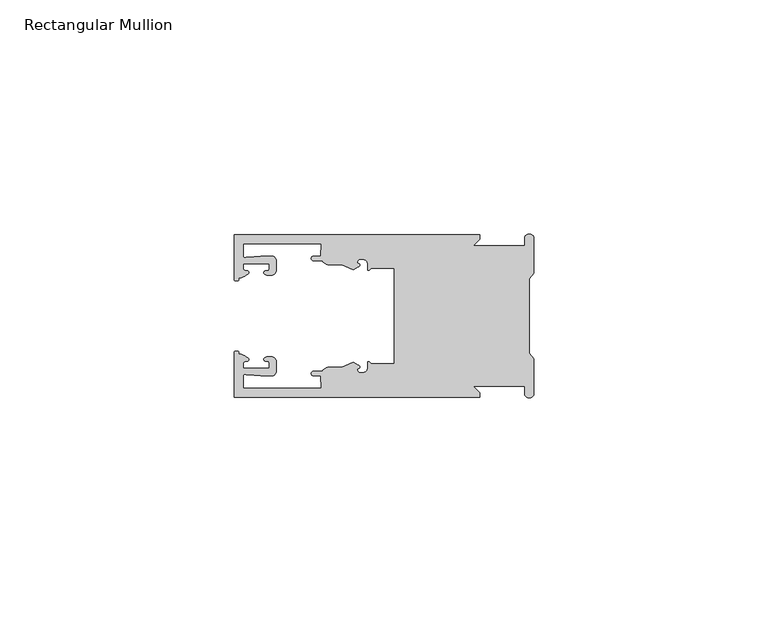
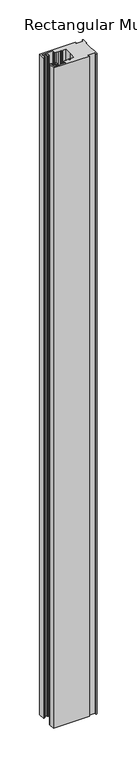
"""IFC4 building model written with IfcOpenShell, lengths in millimetres: member geometry, Rectangular Mullion."""

from ifc_helpers import new_model, si_unit, frame, origin, place, context, project, spatial, polyline, circle_curve, source, transform, mapped, element, save
from ifc_brep_helpers import plane_surface, cylinder_surface, revolved_surface, extruded_surface, spline_curve, advanced_brep


def rectangular_mullion_679da7de(model_context):
    return source(origin(), model_context, "Body", "AdvancedBrep", [
        advanced_brep(
        [(-11.5387897, 17.4000478, 0.0), (-64.0387868, 17.4000478, 0.0), (-64.0387868, 7.8350057, 0.0), (-63.2884687, 7.5412947, 0.0), (-62.4614154, 8.1921895, 0.0), (-62.0410649, 9.9426451, 0.0), (-62.0424168, 11.1926444, 0.0), (-56.54242, 11.1985924, 0.0), (-56.5410682, 9.9485931, 0.0), (-57.1085345, 8.7314723, 0.0), (-56.0397166, 8.6991345, 0.0), (-55.0407987, 9.7002154, 0.0), (-55.0430697, 11.8002142, 0.0), (-56.0446364, 12.7991315, 0.0), (-58.3650753, 12.7954945, 0.0), (-61.1340054, 12.5502269, 0.0), (-62.044093, 12.7426435, 0.0), (-62.0469668, 15.4000478, 0.0), (-45.4240312, 15.4000478, 0.0), (-45.5732135, 12.8000478, 0.0), (-47.0387868, 12.8000478, 0.0), (-47.0387868, 11.8000478, 0.0), (-45.2543363, 11.8000478, 0.0), (-43.6387868, 10.9000478, 0.0), (-41.0454034, 10.9000478, 0.0), (-38.5697136, 9.8718293, 0.0), (-37.5387868, 10.4670351, 0.0), (-37.6803436, 11.4201497, 0.0), (-37.0270763, 12.1583697, 0.0), (-36.2010815, 12.0127245, 0.0), (-35.54, 11.2248783, 0.0), (-35.54, 10.0, 0.0), (-34.7705791, 10.25, 0.0), (-29.79, 10.25, 0.0), (-29.79, 0.0, 0.0), (-29.79, -10.25, 0.0), (-34.7705791, -10.25, 0.0), (-35.54, -10.0, 0.0), (-35.54, -11.2248783, 0.0), (-36.2010815, -12.0127245, 0.0), (-37.0270763, -12.1583697, 0.0), (-37.6803436, -11.4201497, 0.0), (-37.5387868, -10.4670351, 0.0), (-38.5697136, -9.8718293, 0.0), (-41.0454034, -10.9000478, 0.0), (-43.6387868, -10.9000478, 0.0), (-45.2543363, -11.8000478, 0.0), (-47.0387868, -11.8000478, 0.0), (-47.0387868, -12.8000478, 0.0), (-45.5732135, -12.8000478, 0.0), (-45.4240312, -15.4000478, 0.0), (-62.0469668, -15.4000478, 0.0), (-62.044093, -12.7426435, 0.0), (-61.1340054, -12.5502269, 0.0), (-58.3650753, -12.7954945, 0.0), (-56.0446364, -12.7991314, 0.0), (-55.0430697, -11.8002142, 0.0), (-55.0407987, -9.7002154, 0.0), (-56.0397166, -8.6991345, 0.0), (-57.1085345, -8.7314723, 0.0), (-56.5410682, -9.9485931, 0.0), (-56.54242, -11.1985924, 0.0), (-62.0424168, -11.1926444, 0.0), (-62.0410649, -9.9426451, 0.0), (-62.4614154, -8.1921895, 0.0), (-63.2884687, -7.5412947, 0.0), (-64.0387868, -7.8350057, 0.0), (-64.0387868, -17.4000478, 0.0), (-11.5387897, -17.4000478, 0.0), (-11.5387897, -16.4000449, 0.0), (-12.9388346, -15.0, 0.0), (-2.0, -15.0, 0.0), (-2.0, -16.5, 0.0), (0.0, -16.5, 0.0), (0.0, -9.1160254, 0.0), (-1.0, -7.9613249, 0.0), (-1.0, 0.0, 0.0), (-1.0, 7.9613249, 0.0), (0.0, 9.1160254, 0.0), (0.0, 16.5, 0.0), (-2.0, 16.5, 0.0), (-2.0, 15.0, 0.0), (-12.9388346, 15.0, 0.0), (-11.5387897, 16.4000449, 0.0), (-11.5387897, 17.4000478, -1016.0), (-11.5387897, 16.4000449, -1016.0), (-12.9388346, 15.0, -1016.0), (-2.0, 15.0, -1016.0), (-2.0, 16.5, -1016.0), (0.0, 16.5, -1016.0), (0.0, 9.1160254, -1016.0), (-1.0, 7.9613249, -1016.0), (-1.0, 0.0, -1016.0), (-1.0, -7.9613249, -1016.0), (0.0, -9.1160254, -1016.0), (0.0, -16.5, -1016.0), (-2.0, -16.5, -1016.0), (-2.0, -15.0, -1016.0), (-12.9388346, -15.0, -1016.0), (-11.5387897, -16.4000449, -1016.0), (-11.5387897, -17.4000478, -1016.0), (-64.0387868, -17.4000478, -1016.0), (-64.0387868, -7.8350057, -1016.0), (-63.2884687, -7.5412947, -1016.0), (-62.4614154, -8.1921895, -1016.0), (-62.0410649, -9.9426451, -1016.0), (-62.0424168, -11.1926444, -1016.0), (-56.54242, -11.1985924, -1016.0), (-56.5410682, -9.9485931, -1016.0), (-57.1085345, -8.7314723, -1016.0), (-56.0397166, -8.6991345, -1016.0), (-55.0407987, -9.7002154, -1016.0), (-55.0430697, -11.8002142, -1016.0), (-56.0446364, -12.7991315, -1016.0), (-58.3650753, -12.7954945, -1016.0), (-61.1340054, -12.5502269, -1016.0), (-62.044093, -12.7426435, -1016.0), (-62.0469668, -15.4000478, -1016.0), (-45.4240312, -15.4000478, -1016.0), (-45.5732135, -12.8000478, -1016.0), (-47.0387868, -12.8000478, -1016.0), (-47.0387868, -11.8000478, -1016.0), (-45.2543363, -11.8000478, -1016.0), (-43.6387868, -10.9000478, -1016.0), (-41.0454034, -10.9000478, -1016.0), (-38.5697136, -9.8718293, -1016.0), (-37.5387868, -10.4670351, -1016.0), (-37.6803436, -11.4201497, -1016.0), (-37.0270763, -12.1583697, -1016.0), (-36.2010815, -12.0127245, -1016.0), (-35.54, -11.2248783, -1016.0), (-35.54, -10.0, -1016.0), (-34.7705791, -10.25, -1016.0), (-29.79, -10.25, -1016.0), (-29.79, 0.0, -1016.0), (-29.79, 10.25, -1016.0), (-34.7705791, 10.25, -1016.0), (-35.54, 10.0, -1016.0), (-35.54, 11.2248783, -1016.0), (-36.2010815, 12.0127245, -1016.0), (-37.0270763, 12.1583697, -1016.0), (-37.6803436, 11.4201497, -1016.0), (-37.5387868, 10.4670351, -1016.0), (-38.5697136, 9.8718293, -1016.0), (-41.0454034, 10.9000478, -1016.0), (-43.6387868, 10.9000478, -1016.0), (-45.2543363, 11.8000478, -1016.0), (-47.0387868, 11.8000478, -1016.0), (-47.0387868, 12.8000478, -1016.0), (-45.5732135, 12.8000478, -1016.0), (-45.4240312, 15.4000478, -1016.0), (-62.0469668, 15.4000478, -1016.0), (-62.044093, 12.7426435, -1016.0), (-61.1340054, 12.5502269, -1016.0), (-58.3650753, 12.7954945, -1016.0), (-56.0446364, 12.7991314, -1016.0), (-55.0430697, 11.8002142, -1016.0), (-55.0407987, 9.7002154, -1016.0), (-56.0397166, 8.6991345, -1016.0), (-57.1085345, 8.7314723, -1016.0), (-56.5410682, 9.9485931, -1016.0), (-56.54242, 11.1985924, -1016.0), (-62.0424168, 11.1926444, -1016.0), (-62.0410649, 9.9426451, -1016.0), (-62.4614154, 8.1921895, -1016.0), (-63.2884687, 7.5412947, -1016.0), (-64.0387868, 7.8350057, -1016.0), (-64.0387868, 17.4000478, -1016.0)],
        [
            (0, 1),
            (1, 2),
            (2, 3, spline_curve(3, [(-64.0387868, 7.8350057, 0.0), (-64.038491377, 7.561831774, 0.0), (-63.788385325, 7.463928087, 0.0), (-63.2884687, 7.5412947, 0.0)], [4, 4], [0.0, 0.0019169337574178654])),
            (3, 4, spline_curve(3, [(-63.2884687, 7.5412947, 0.0), (-63.057760917, 7.582232011, 0.0), (-63.018445067, 7.725390894, 0.0), (-63.019925494, 8.056436881, 0.0), (-63.103444208, 8.236386866, 0.0), (-62.4614154, 8.1921895, 0.0)], [4, 2, 4], [0.0, 0.0010199524164107188, 0.0024874514725970356])),
            (4, 5, spline_curve(3, [(-62.4614154, 8.1921895, 0.0), (-60.988497673, 8.880962536, 0.0), (-60.794045122, 9.192776957, 0.0), (-60.949808078, 9.57023562, 0.0), (-61.145214014, 9.682771697, 0.0), (-61.665835706, 9.714019003, 0.0), (-61.965242574, 9.660891484, 0.0), (-62.0410649, 9.9426451, 0.0)], [4, 2, 2, 4], [0.0, 0.003269869179570428, 0.005490050486237203, 0.0073545767114364426])),
            (5, 6),
            (6, 7),
            (7, 8),
            (8, 9, spline_curve(3, [(-56.5410682, 9.9485931, 0.0), (-56.634838635, 9.597117104, 0.0), (-56.904956774, 9.698238818, 0.0), (-57.324171444, 9.731086209, 0.0), (-57.45969165, 9.646199885, 0.0), (-57.729003352, 9.346016011, 0.0), (-57.859492582, 9.113082158, 0.0), (-57.1085345, 8.7314723, 0.0)], [4, 2, 2, 4], [0.0, 0.001593963049934732, 0.0033360256320283306, 0.005339140673503943])),
            (9, 10),
            (10, 11, circle_curve(frame((-56.0407981, 9.699134, 0.0), z_axis=(0.0, 0.0, 1.0), x_axis=(0.0010814451158627505, -0.9999994152380598, 0.0)), 1.0)),
            (11, 12),
            (12, 13, circle_curve(frame((-56.0430691, 11.7991327, 0.0), z_axis=(0.0, 0.0, 1.0), x_axis=(0.0010814451158627505, -0.9999994152380598, 0.0)), 1.0)),
            (13, 14),
            (14, 15),
            (15, 16, spline_curve(3, [(-61.1340054, 12.5502269, 0.0), (-61.605485428, 12.508463911, 0.0), (-61.992111419, 12.303164326, 0.0), (-62.044093, 12.7426435, 0.0)], [4, 4], [0.0, 0.0014803385355886016])),
            (16, 17),
            (17, 18),
            (18, 19),
            (19, 20),
            (20, 21, circle_curve(frame((-47.0387868, 12.3000478, 0.0), z_axis=(0.0, 0.0, 1.0), x_axis=(0.0, -1.0, 0.0)), 0.5)),
            (21, 22),
            (22, 23, circle_curve(frame((-43.6387868, 12.8000478, 0.0), z_axis=(0.0, 0.0, 1.0), x_axis=(0.0, -1.0, 0.0)), 1.9)),
            (23, 24),
            (24, 25),
            (25, 26),
            (26, 27, spline_curve(3, [(-37.5387868, 10.4670351, 0.0), (-36.973919853, 10.833863985, 0.0), (-37.198159645, 11.135696286, 0.0), (-37.587892011, 11.260246073, 0.0), (-37.754584192, 11.180452419, 0.0), (-37.6803436, 11.4201497, 0.0)], [4, 2, 4], [0.0, 0.0019283703160353726, 0.003394584635652914])),
            (27, 28, circle_curve(frame((-37.0434863, 11.5147359, 0.0), z_axis=(0.0, 0.0, -1.0), x_axis=(0.0, -1.0, 0.0)), 0.643843)),
            (28, 29),
            (29, 30, circle_curve(frame((-36.34, 11.2248783, 0.0), z_axis=(0.0, 0.0, -1.0), x_axis=(0.0, -1.0, 0.0)), 0.8)),
            (30, 31),
            (31, 32, spline_curve(3, [(-35.54, 10.0, 0.0), (-35.440000238, 9.598293201, 0.0), (-35.183526594, 9.681626535, 0.0), (-34.7705791, 10.25, 0.0)], [4, 4], [0.0, 0.0027473296990141553])),
            (32, 33),
            (33, 34),
            (34, 35),
            (35, 36),
            (36, 37, spline_curve(3, [(-34.7705791, -10.25, 0.0), (-35.183526594, -9.681626535, 0.0), (-35.440000238, -9.598293201, 0.0), (-35.54, -10.0, 0.0)], [4, 4], [0.0, 0.0027473296990141553])),
            (37, 38),
            (38, 39, circle_curve(frame((-36.34, -11.2248783, 0.0), z_axis=(0.0, 0.0, -1.0), x_axis=(0.0, 1.0, 0.0)), 0.8)),
            (39, 40),
            (40, 41, circle_curve(frame((-37.0434863, -11.5147359, 0.0), z_axis=(0.0, 0.0, -1.0), x_axis=(0.0, 1.0, 0.0)), 0.643843)),
            (41, 42, spline_curve(3, [(-37.6803436, -11.4201497, 0.0), (-37.754584192, -11.180452419, 0.0), (-37.587892011, -11.260246073, 0.0), (-37.198159645, -11.135696286, 0.0), (-36.973919853, -10.833863985, 0.0), (-37.5387868, -10.4670351, 0.0)], [4, 2, 4], [0.0, 0.0014662143196175414, 0.003394584635652914])),
            (42, 43),
            (43, 44),
            (44, 45),
            (45, 46, circle_curve(frame((-43.6387868, -12.8000478, 0.0), z_axis=(0.0, 0.0, 1.0), x_axis=(0.0, 1.0, 0.0)), 1.9)),
            (46, 47),
            (47, 48, circle_curve(frame((-47.0387868, -12.3000478, 0.0), z_axis=(0.0, 0.0, 1.0), x_axis=(0.0, 1.0, 0.0)), 0.5)),
            (48, 49),
            (49, 50),
            (50, 51),
            (51, 52),
            (52, 53, spline_curve(3, [(-62.044093, -12.7426435, 0.0), (-61.992111419, -12.303164326, 0.0), (-61.605485428, -12.508463911, 0.0), (-61.1340054, -12.5502269, 0.0)], [4, 4], [0.0, 0.0014803385355886016])),
            (53, 54),
            (54, 55),
            (55, 56, circle_curve(frame((-56.0430691, -11.7991327, 0.0), z_axis=(0.0, 0.0, 1.0), x_axis=(0.001081445115855867, 0.9999994152380598, 0.0)), 1.0)),
            (56, 57),
            (57, 58, circle_curve(frame((-56.0407981, -9.699134, 0.0), z_axis=(0.0, 0.0, 1.0), x_axis=(0.001081445115855867, 0.9999994152380598, 0.0)), 1.0)),
            (58, 59),
            (59, 60, spline_curve(3, [(-57.1085345, -8.7314723, 0.0), (-57.859492582, -9.113082158, 0.0), (-57.729003352, -9.346016011, 0.0), (-57.45969165, -9.646199885, 0.0), (-57.324171444, -9.731086209, 0.0), (-56.904956774, -9.698238818, 0.0), (-56.634838635, -9.597117104, 0.0), (-56.5410682, -9.9485931, 0.0)], [4, 2, 2, 4], [0.0, 0.002003115041475612, 0.0037451776235692107, 0.005339140673503943])),
            (60, 61),
            (61, 62),
            (62, 63),
            (63, 64, spline_curve(3, [(-62.0410649, -9.9426451, 0.0), (-61.965242574, -9.660891484, 0.0), (-61.665835706, -9.714019003, 0.0), (-61.145214014, -9.682771697, 0.0), (-60.949808078, -9.57023562, 0.0), (-60.794045122, -9.192776957, 0.0), (-60.988497673, -8.880962536, 0.0), (-62.4614154, -8.1921895, 0.0)], [4, 2, 2, 4], [0.0, 0.0018645262251992395, 0.004084707531866015, 0.0073545767114364426])),
            (64, 65, spline_curve(3, [(-62.4614154, -8.1921895, 0.0), (-63.103444208, -8.236386866, 0.0), (-63.019925494, -8.056436881, 0.0), (-63.018445067, -7.725390894, 0.0), (-63.057760917, -7.582232011, 0.0), (-63.2884687, -7.5412947, 0.0)], [4, 2, 4], [0.0, 0.0014674990561863168, 0.0024874514725970356])),
            (65, 66, spline_curve(3, [(-63.2884687, -7.5412947, 0.0), (-63.788385325, -7.463928087, 0.0), (-64.038491377, -7.561831774, 0.0), (-64.0387868, -7.8350057, 0.0)], [4, 4], [0.0, 0.0019169337574178654])),
            (66, 67),
            (67, 68),
            (68, 69),
            (69, 70),
            (70, 71),
            (71, 72),
            (72, 73, circle_curve(frame((-1.0, -16.5, 0.0), z_axis=(0.0, 0.0, 1.0), x_axis=(0.0, 1.0, 0.0)), 1.0)),
            (73, 74),
            (74, 75),
            (75, 76),
            (76, 77),
            (77, 78),
            (78, 79),
            (79, 80, circle_curve(frame((-1.0, 16.5, 0.0), z_axis=(0.0, 0.0, 1.0), x_axis=(0.0, -1.0, 0.0)), 1.0)),
            (80, 81),
            (81, 82),
            (82, 83),
            (83, 0),
            (84, 85),
            (85, 86),
            (86, 87),
            (87, 88),
            (88, 89, circle_curve(frame((-1.0, 16.5, -1016.0), z_axis=(0.0, 0.0, -1.0), x_axis=(0.0, -1.0, 0.0)), 1.0)),
            (89, 90),
            (90, 91),
            (91, 92),
            (92, 93),
            (93, 94),
            (94, 95),
            (95, 96, circle_curve(frame((-1.0, -16.5, -1016.0), z_axis=(0.0, 0.0, -1.0), x_axis=(0.0, 1.0, 0.0)), 1.0)),
            (96, 97),
            (97, 98),
            (98, 99),
            (99, 100),
            (100, 101),
            (101, 102),
            (102, 103, spline_curve(3, [(-64.0387868, -7.8350057, -1016.0), (-64.038491377, -7.561831774, -1016.0), (-63.788385325, -7.463928087, -1016.0), (-63.2884687, -7.5412947, -1016.0)], [4, 4], [0.0, 0.0019169337574178654])),
            (103, 104, spline_curve(3, [(-63.2884687, -7.5412947, -1016.0), (-63.057760917, -7.582232011, -1016.0), (-63.018445067, -7.725390894, -1016.0), (-63.019925494, -8.056436881, -1016.0), (-63.103444208, -8.236386866, -1016.0), (-62.4614154, -8.1921895, -1016.0)], [4, 2, 4], [0.0, 0.0010199524164107188, 0.0024874514725970356])),
            (104, 105, spline_curve(3, [(-62.4614154, -8.1921895, -1016.0), (-60.988497673, -8.880962536, -1016.0), (-60.794045122, -9.192776957, -1016.0), (-60.949808078, -9.57023562, -1016.0), (-61.145214014, -9.682771697, -1016.0), (-61.665835706, -9.714019003, -1016.0), (-61.965242574, -9.660891484, -1016.0), (-62.0410649, -9.9426451, -1016.0)], [4, 2, 2, 4], [0.0, 0.003269869179570428, 0.005490050486237203, 0.0073545767114364426])),
            (105, 106),
            (106, 107),
            (107, 108),
            (108, 109, spline_curve(3, [(-56.5410682, -9.9485931, -1016.0), (-56.634838635, -9.597117104, -1016.0), (-56.904956774, -9.698238818, -1016.0), (-57.324171444, -9.731086209, -1016.0), (-57.45969165, -9.646199885, -1016.0), (-57.729003352, -9.346016011, -1016.0), (-57.859492582, -9.113082158, -1016.0), (-57.1085345, -8.7314723, -1016.0)], [4, 2, 2, 4], [0.0, 0.001593963049934732, 0.0033360256320283306, 0.005339140673503943])),
            (109, 110),
            (110, 111, circle_curve(frame((-56.0407981, -9.699134, -1016.0), z_axis=(0.0, 0.0, -1.0), x_axis=(0.001081445115855867, 0.9999994152380598, 0.0)), 1.0)),
            (111, 112),
            (112, 113, circle_curve(frame((-56.0430691, -11.7991327, -1016.0), z_axis=(0.0, 0.0, -1.0), x_axis=(0.001081445115855867, 0.9999994152380598, 0.0)), 1.0)),
            (113, 114),
            (114, 115),
            (115, 116, spline_curve(3, [(-61.1340054, -12.5502269, -1016.0), (-61.605485428, -12.508463911, -1016.0), (-61.992111419, -12.303164326, -1016.0), (-62.044093, -12.7426435, -1016.0)], [4, 4], [0.0, 0.0014803385355886016])),
            (116, 117),
            (117, 118),
            (118, 119),
            (119, 120),
            (120, 121, circle_curve(frame((-47.0387868, -12.3000478, -1016.0), z_axis=(0.0, 0.0, -1.0), x_axis=(0.0, 1.0, 0.0)), 0.5)),
            (121, 122),
            (122, 123, circle_curve(frame((-43.6387868, -12.8000478, -1016.0), z_axis=(0.0, 0.0, -1.0), x_axis=(0.0, 1.0, 0.0)), 1.9)),
            (123, 124),
            (124, 125),
            (125, 126),
            (126, 127, spline_curve(3, [(-37.5387868, -10.4670351, -1016.0), (-36.973919853, -10.833863985, -1016.0), (-37.198159645, -11.135696286, -1016.0), (-37.587892011, -11.260246073, -1016.0), (-37.754584192, -11.180452419, -1016.0), (-37.6803436, -11.4201497, -1016.0)], [4, 2, 4], [0.0, 0.0019283703160353726, 0.003394584635652914])),
            (127, 128, circle_curve(frame((-37.0434863, -11.5147359, -1016.0), z_axis=(0.0, 0.0, 1.0), x_axis=(0.0, 1.0, 0.0)), 0.643843)),
            (128, 129),
            (129, 130, circle_curve(frame((-36.34, -11.2248783, -1016.0), z_axis=(0.0, 0.0, 1.0), x_axis=(0.0, 1.0, 0.0)), 0.8)),
            (130, 131),
            (131, 132, spline_curve(3, [(-35.54, -10.0, -1016.0), (-35.440000238, -9.598293201, -1016.0), (-35.183526594, -9.681626535, -1016.0), (-34.7705791, -10.25, -1016.0)], [4, 4], [0.0, 0.0027473296990141553])),
            (132, 133),
            (133, 134),
            (134, 135),
            (135, 136),
            (136, 137, spline_curve(3, [(-34.7705791, 10.25, -1016.0), (-35.183526594, 9.681626535, -1016.0), (-35.440000238, 9.598293201, -1016.0), (-35.54, 10.0, -1016.0)], [4, 4], [0.0, 0.0027473296990141553])),
            (137, 138),
            (138, 139, circle_curve(frame((-36.34, 11.2248783, -1016.0), z_axis=(0.0, 0.0, 1.0), x_axis=(0.0, -1.0, 0.0)), 0.8)),
            (139, 140),
            (140, 141, circle_curve(frame((-37.0434863, 11.5147359, -1016.0), z_axis=(0.0, 0.0, 1.0), x_axis=(0.0, -1.0, 0.0)), 0.643843)),
            (141, 142, spline_curve(3, [(-37.6803436, 11.4201497, -1016.0), (-37.754584192, 11.180452419, -1016.0), (-37.587892011, 11.260246073, -1016.0), (-37.198159645, 11.135696286, -1016.0), (-36.973919853, 10.833863985, -1016.0), (-37.5387868, 10.4670351, -1016.0)], [4, 2, 4], [0.0, 0.0014662143196175414, 0.003394584635652914])),
            (142, 143),
            (143, 144),
            (144, 145),
            (145, 146, circle_curve(frame((-43.6387868, 12.8000478, -1016.0), z_axis=(0.0, 0.0, -1.0), x_axis=(0.0, -1.0, 0.0)), 1.9)),
            (146, 147),
            (147, 148, circle_curve(frame((-47.0387868, 12.3000478, -1016.0), z_axis=(0.0, 0.0, -1.0), x_axis=(0.0, -1.0, 0.0)), 0.5)),
            (148, 149),
            (149, 150),
            (150, 151),
            (151, 152),
            (152, 153, spline_curve(3, [(-62.044093, 12.7426435, -1016.0), (-61.992111419, 12.303164326, -1016.0), (-61.605485428, 12.508463911, -1016.0), (-61.1340054, 12.5502269, -1016.0)], [4, 4], [0.0, 0.0014803385355886016])),
            (153, 154),
            (154, 155),
            (155, 156, circle_curve(frame((-56.0430691, 11.7991327, -1016.0), z_axis=(0.0, 0.0, -1.0), x_axis=(0.0010814451158627505, -0.9999994152380598, 0.0)), 1.0)),
            (156, 157),
            (157, 158, circle_curve(frame((-56.0407981, 9.699134, -1016.0), z_axis=(0.0, 0.0, -1.0), x_axis=(0.0010814451158627505, -0.9999994152380598, 0.0)), 1.0)),
            (158, 159),
            (159, 160, spline_curve(3, [(-57.1085345, 8.7314723, -1016.0), (-57.859492582, 9.113082158, -1016.0), (-57.729003352, 9.346016011, -1016.0), (-57.45969165, 9.646199885, -1016.0), (-57.324171444, 9.731086209, -1016.0), (-56.904956774, 9.698238818, -1016.0), (-56.634838635, 9.597117104, -1016.0), (-56.5410682, 9.9485931, -1016.0)], [4, 2, 2, 4], [0.0, 0.002003115041475612, 0.0037451776235692107, 0.005339140673503943])),
            (160, 161),
            (161, 162),
            (162, 163),
            (163, 164, spline_curve(3, [(-62.0410649, 9.9426451, -1016.0), (-61.965242574, 9.660891484, -1016.0), (-61.665835706, 9.714019003, -1016.0), (-61.145214014, 9.682771697, -1016.0), (-60.949808078, 9.57023562, -1016.0), (-60.794045122, 9.192776957, -1016.0), (-60.988497673, 8.880962536, -1016.0), (-62.4614154, 8.1921895, -1016.0)], [4, 2, 2, 4], [0.0, 0.0018645262251992395, 0.004084707531866015, 0.0073545767114364426])),
            (164, 165, spline_curve(3, [(-62.4614154, 8.1921895, -1016.0), (-63.103444208, 8.236386866, -1016.0), (-63.019925494, 8.056436881, -1016.0), (-63.018445067, 7.725390894, -1016.0), (-63.057760917, 7.582232011, -1016.0), (-63.2884687, 7.5412947, -1016.0)], [4, 2, 4], [0.0, 0.0014674990561863168, 0.0024874514725970356])),
            (165, 166, spline_curve(3, [(-63.2884687, 7.5412947, -1016.0), (-63.788385325, 7.463928087, -1016.0), (-64.038491377, 7.561831774, -1016.0), (-64.0387868, 7.8350057, -1016.0)], [4, 4], [0.0, 0.0019169337574178654])),
            (166, 167),
            (167, 84),
            (0, 84),
            (167, 1),
            (166, 2),
            (165, 3),
            (164, 4),
            (163, 5),
            (162, 6),
            (161, 7),
            (160, 8),
            (159, 9),
            (158, 10),
            (157, 11),
            (156, 12),
            (155, 13),
            (154, 14),
            (153, 15),
            (152, 16),
            (151, 17),
            (150, 18),
            (149, 19),
            (148, 20),
            (147, 21),
            (146, 22),
            (145, 23),
            (144, 24),
            (143, 25),
            (142, 26),
            (141, 27),
            (140, 28),
            (139, 29),
            (138, 30),
            (137, 31),
            (136, 32),
            (135, 33),
            (134, 34),
            (133, 35),
            (132, 36),
            (131, 37),
            (130, 38),
            (129, 39),
            (128, 40),
            (127, 41),
            (126, 42),
            (125, 43),
            (124, 44),
            (123, 45),
            (122, 46),
            (121, 47),
            (120, 48),
            (119, 49),
            (118, 50),
            (117, 51),
            (116, 52),
            (115, 53),
            (114, 54),
            (113, 55),
            (112, 56),
            (111, 57),
            (110, 58),
            (109, 59),
            (108, 60),
            (107, 61),
            (106, 62),
            (105, 63),
            (104, 64),
            (103, 65),
            (102, 66),
            (101, 67),
            (100, 68),
            (99, 69),
            (98, 70),
            (97, 71),
            (96, 72),
            (95, 73),
            (94, 74),
            (93, 75),
            (92, 76),
            (91, 77),
            (90, 78),
            (89, 79),
            (88, 80),
            (87, 81),
            (86, 82),
            (85, 83),
        ],
        [
            plane_surface(frame((0.0, -66.3605898, 0.0), z_axis=(0.0, 0.0, 1.0), x_axis=(-1.0, 0.0, 0.0))),
            plane_surface(frame((0.0, -66.3605898, -1016.0), z_axis=(0.0, 0.0, -1.0), x_axis=(-1.0, 0.0, 0.0))),
            plane_surface(frame((-11.5387897, 17.4000478, 0.0), z_axis=(0.0, 1.0, 0.0), x_axis=(0.0, 0.0, -1.0))),
            plane_surface(frame((-64.0387868, 17.4000478, 0.0), z_axis=(-1.0, 0.0, 0.0), x_axis=(0.0, 0.0, -1.0))),
            extruded_surface(spline_curve(3, [(-64.0387868, 7.8350057, -1016.0), (-64.038491377, 7.561831774, -1016.0), (-63.788385325, 7.463928087, -1016.0), (-63.2884687, 7.5412947, -1016.0)], [4, 4], [0.0, 0.0019169337574178654]), (0.0, 0.0, 1016.0), 1016.0),
            extruded_surface(spline_curve(3, [(-63.2884687, 7.5412947, -1016.0), (-63.057760917, 7.582232011, -1016.0), (-63.018445067, 7.725390894, -1016.0), (-63.019925494, 8.056436881, -1016.0), (-63.103444208, 8.236386866, -1016.0), (-62.4614154, 8.1921895, -1016.0)], [4, 2, 4], [0.0, 0.0010199524164107188, 0.0024874514725970356]), (0.0, 0.0, 1016.0), 1016.0),
            extruded_surface(spline_curve(3, [(-62.4614154, 8.1921895, -1016.0), (-60.988497673, 8.880962536, -1016.0), (-60.794045122, 9.192776957, -1016.0), (-60.949808078, 9.57023562, -1016.0), (-61.145214014, 9.682771697, -1016.0), (-61.665835706, 9.714019003, -1016.0), (-61.965242574, 9.660891484, -1016.0), (-62.0410649, 9.9426451, -1016.0)], [4, 2, 2, 4], [0.0, 0.003269869179570428, 0.005490050486237203, 0.0073545767114364426]), (0.0, 0.0, 1016.0), 1016.0),
            plane_surface(frame((-62.0410649, 9.9426451, 0.0), z_axis=(0.9999994152380598, 0.0010814451158593665, 0.0), x_axis=(0.0, 0.0, -1.0))),
            plane_surface(frame((-62.0424168, 11.1926444, 0.0), z_axis=(0.0010814451158611391, -0.9999994152380598, 0.0), x_axis=(0.0, 0.0, -1.0))),
            plane_surface(frame((-56.54242, 11.1985924, 0.0), z_axis=(-0.9999994152380598, -0.0010814451158584516, 0.0), x_axis=(0.0, 0.0, -1.0))),
            extruded_surface(spline_curve(3, [(-56.5410682, 9.9485931, -1016.0), (-56.634838635, 9.597117104, -1016.0), (-56.904956774, 9.698238818, -1016.0), (-57.324171444, 9.731086209, -1016.0), (-57.45969165, 9.646199885, -1016.0), (-57.729003352, 9.346016011, -1016.0), (-57.859492582, 9.113082158, -1016.0), (-57.1085345, 8.7314723, -1016.0)], [4, 2, 2, 4], [0.0, 0.001593963049934732, 0.0033360256320283306, 0.005339140673503943]), (0.0, 0.0, 1016.0), 1016.0),
            plane_surface(frame((-57.1085345, 8.7314723, 0.0), z_axis=(-0.030241832452869922, -0.9995426111826813, 0.0), x_axis=(0.0, 0.0, -1.0))),
            cylinder_surface(frame((-56.0407981, 9.699134, 0.0), z_axis=(0.0, 0.0, 1.0000000000000002), x_axis=(0.0010814451158627505, -0.9999994152380598, 0.0)), 1.0),
            plane_surface(frame((-55.0407987, 9.7002154, 0.0), z_axis=(0.9999994152380598, 0.001081445115858722, 0.0), x_axis=(0.0, 0.0, -1.0))),
            cylinder_surface(frame((-56.0430691, 11.7991327, 0.0), z_axis=(0.0, 0.0, 1.0000000000000002), x_axis=(0.0010814451158627505, -0.9999994152380598, 0.0)), 1.0),
            plane_surface(frame((-56.0446364, 12.7991314, 0.0), z_axis=(-0.0015673183327907744, 0.9999987717558677, 0.0), x_axis=(0.0, 0.0, -1.0))),
            plane_surface(frame((-58.3650753, 12.7954945, 0.0), z_axis=(-0.08823302167299531, 0.9960998614026874, 0.0), x_axis=(0.0, 0.0, -1.0))),
            extruded_surface(spline_curve(3, [(-61.1340054, 12.5502269, -1016.0), (-61.605485428, 12.508463911, -1016.0), (-61.992111419, 12.303164326, -1016.0), (-62.044093, 12.7426435, -1016.0)], [4, 4], [0.0, 0.0014803385355886016]), (0.0, 0.0, 1016.0), 1016.0),
            plane_surface(frame((-62.044093, 12.7426435, 0.0), z_axis=(0.9999994152380598, 0.0010814451158597813, 0.0), x_axis=(0.0, 0.0, -1.0))),
            plane_surface(frame((-62.0469668, 15.4000478, 0.0), z_axis=(0.0, -1.0, 0.0), x_axis=(0.0, 0.0, -1.0))),
            plane_surface(frame((-45.4240312, 15.4000478, 0.0), z_axis=(-0.9983579461523547, 0.05728360458675776, 0.0), x_axis=(0.0, 0.0, -1.0))),
            plane_surface(frame((-45.5732135, 12.8000478, 0.0), z_axis=(0.0, 1.0, 0.0), x_axis=(0.0, 0.0, -1.0))),
            cylinder_surface(frame((-47.0387868, 12.3000478, 0.0), z_axis=(0.0, 0.0, 1.0), x_axis=(0.0, -1.0, 0.0)), 0.5),
            plane_surface(frame((-47.0387868, 11.8000478, 0.0), z_axis=(0.0, -1.0, 0.0), x_axis=(0.0, 0.0, -1.0))),
            cylinder_surface(frame((-43.6387868, 12.8000478, 0.0), z_axis=(0.0, 0.0, 1.0), x_axis=(0.0, -1.0, 0.0)), 1.9),
            plane_surface(frame((-43.6387868, 10.9000478, 0.0), z_axis=(0.0, -1.0, 0.0), x_axis=(0.0, 0.0, -1.0))),
            plane_surface(frame((-41.0454034, 10.9000478, 0.0), z_axis=(-0.3835602140750569, -0.9235158700199453, 0.0), x_axis=(0.0, 0.0, -1.0))),
            plane_surface(frame((-38.5697136, 9.8718293, 0.0), z_axis=(0.5000000000252295, -0.8660254037698725, 0.0), x_axis=(0.0, 0.0, -1.0))),
            extruded_surface(spline_curve(3, [(-37.5387868, 10.4670351, -1016.0), (-36.973919853, 10.833863985, -1016.0), (-37.198159645, 11.135696286, -1016.0), (-37.587892011, 11.260246073, -1016.0), (-37.754584192, 11.180452419, -1016.0), (-37.6803436, 11.4201497, -1016.0)], [4, 2, 4], [0.0, 0.0019283703160353726, 0.003394584635652914]), (0.0, 0.0, 1016.0), 1016.0),
            revolved_surface(polyline([(-37.0434863, 10.8708929, -1016.0), (-37.0434863, 10.8708929, 0.0)]), (-37.0434863, 11.5147359, 0.0), (0.0, 0.0, -1.0)),
            plane_surface(frame((-37.0270763, 12.1583697, 0.0), z_axis=(-0.17364817767050408, -0.984807753011578, 0.0), x_axis=(0.0, 0.0, -1.0))),
            revolved_surface(polyline([(-36.34, 10.4248783, -1016.0), (-36.34, 10.4248783, 0.0)]), (-36.34, 11.2248783, 0.0), (0.0, 0.0, -1.0)),
            plane_surface(frame((-35.54, 11.2248783, 0.0), z_axis=(-1.0, 0.0, 0.0), x_axis=(0.0, 0.0, -1.0))),
            extruded_surface(spline_curve(3, [(-35.54, 10.0, -1016.0), (-35.440000238, 9.598293201, -1016.0), (-35.183526594, 9.681626535, -1016.0), (-34.7705791, 10.25, -1016.0)], [4, 4], [0.0, 0.0027473296990141553]), (0.0, 0.0, 1016.0), 1016.0),
            plane_surface(frame((-34.7705791, 10.25, 0.0), z_axis=(0.0, -1.0, 0.0), x_axis=(0.0, 0.0, -1.0))),
            plane_surface(frame((-29.79, 10.25, 0.0), z_axis=(-1.0, 0.0, 0.0), x_axis=(0.0, 0.0, -1.0))),
            plane_surface(frame((-29.79, 0.0, 0.0), z_axis=(-1.0, 0.0, 0.0), x_axis=(0.0, 0.0, -1.0))),
            plane_surface(frame((-29.79, -10.25, 0.0), z_axis=(0.0, 1.0, 0.0), x_axis=(0.0, 0.0, -1.0))),
            extruded_surface(spline_curve(3, [(-34.7705791, -10.25, -1016.0), (-35.183526594, -9.681626535, -1016.0), (-35.440000238, -9.598293201, -1016.0), (-35.54, -10.0, -1016.0)], [4, 4], [0.0, 0.0027473296990141553]), (0.0, 0.0, 1016.0), 1016.0),
            plane_surface(frame((-35.54, -10.0, 0.0), z_axis=(-1.0, 0.0, 0.0), x_axis=(0.0, 0.0, -1.0))),
            revolved_surface(polyline([(-36.34, -10.4248783, -1016.0), (-36.34, -10.4248783, 0.0)]), (-36.34, -11.2248783, 0.0), (0.0, 0.0, -1.0)),
            plane_surface(frame((-36.2010815, -12.0127245, 0.0), z_axis=(-0.17364817767051083, 0.9848077530115767, 0.0), x_axis=(0.0, 0.0, -1.0))),
            revolved_surface(polyline([(-37.0434863, -10.8708929, -1016.0), (-37.0434863, -10.8708929, 0.0)]), (-37.0434863, -11.5147359, 0.0), (0.0, 0.0, -1.0)),
            extruded_surface(spline_curve(3, [(-37.6803436, -11.4201497, -1016.0), (-37.754584192, -11.180452419, -1016.0), (-37.587892011, -11.260246073, -1016.0), (-37.198159645, -11.135696286, -1016.0), (-36.973919853, -10.833863985, -1016.0), (-37.5387868, -10.4670351, -1016.0)], [4, 2, 4], [0.0, 0.0014662143196175414, 0.003394584635652914]), (0.0, 0.0, 1016.0), 1016.0),
            plane_surface(frame((-37.5387868, -10.4670351, 0.0), z_axis=(0.5000000000252234, 0.8660254037698759, 0.0), x_axis=(0.0, 0.0, -1.0))),
            plane_surface(frame((-38.5697136, -9.8718293, 0.0), z_axis=(-0.38356021407506324, 0.9235158700199426, 0.0), x_axis=(0.0, 0.0, -1.0))),
            plane_surface(frame((-41.0454034, -10.9000478, 0.0), z_axis=(0.0, 1.0, 0.0), x_axis=(0.0, 0.0, -1.0))),
            cylinder_surface(frame((-43.6387868, -12.8000478, 0.0), z_axis=(0.0, 0.0, 1.0), x_axis=(0.0, 1.0, 0.0)), 1.9),
            plane_surface(frame((-45.2543363, -11.8000478, 0.0), z_axis=(0.0, 1.0, 0.0), x_axis=(0.0, 0.0, -1.0))),
            cylinder_surface(frame((-47.0387868, -12.3000478, 0.0), z_axis=(0.0, 0.0, 1.0), x_axis=(0.0, 1.0, 0.0)), 0.5),
            plane_surface(frame((-47.0387868, -12.8000478, 0.0), z_axis=(0.0, -1.0, 0.0), x_axis=(0.0, 0.0, -1.0))),
            plane_surface(frame((-45.5732135, -12.8000478, 0.0), z_axis=(-0.9983579461523543, -0.05728360458676463, 0.0), x_axis=(0.0, 0.0, -1.0))),
            plane_surface(frame((-45.4240312, -15.4000478, 0.0), z_axis=(0.0, 1.0, 0.0), x_axis=(0.0, 0.0, -1.0))),
            plane_surface(frame((-62.0469668, -15.4000478, 0.0), z_axis=(0.9999994152380598, -0.001081445115852898, 0.0), x_axis=(0.0, 0.0, -1.0))),
            extruded_surface(spline_curve(3, [(-62.044093, -12.7426435, -1016.0), (-61.992111419, -12.303164326, -1016.0), (-61.605485428, -12.508463911, -1016.0), (-61.1340054, -12.5502269, -1016.0)], [4, 4], [0.0, 0.0014803385355886016]), (0.0, 0.0, 1016.0), 1016.0),
            plane_surface(frame((-61.1340054, -12.5502269, 0.0), z_axis=(-0.08823302167298844, -0.9960998614026879, 0.0), x_axis=(0.0, 0.0, -1.0))),
            plane_surface(frame((-58.3650753, -12.7954945, 0.0), z_axis=(-0.001567318332783891, -0.9999987717558677, 0.0), x_axis=(0.0, 0.0, -1.0))),
            cylinder_surface(frame((-56.0430691, -11.7991327, 0.0), z_axis=(0.0, 0.0, 1.0000000000000002), x_axis=(0.001081445115855867, 0.9999994152380598, 0.0)), 1.0),
            plane_surface(frame((-55.0430697, -11.8002142, 0.0), z_axis=(0.9999994152380598, -0.0010814451158518386, 0.0), x_axis=(0.0, 0.0, -1.0))),
            cylinder_surface(frame((-56.0407981, -9.699134, 0.0), z_axis=(0.0, 0.0, 1.0000000000000002), x_axis=(0.001081445115855867, 0.9999994152380598, 0.0)), 1.0),
            plane_surface(frame((-56.0397166, -8.6991345, 0.0), z_axis=(-0.030241832452876805, 0.9995426111826811, 0.0), x_axis=(0.0, 0.0, -1.0))),
            extruded_surface(spline_curve(3, [(-57.1085345, -8.7314723, -1016.0), (-57.859492582, -9.113082158, -1016.0), (-57.729003352, -9.346016011, -1016.0), (-57.45969165, -9.646199885, -1016.0), (-57.324171444, -9.731086209, -1016.0), (-56.904956774, -9.698238818, -1016.0), (-56.634838635, -9.597117104, -1016.0), (-56.5410682, -9.9485931, -1016.0)], [4, 2, 2, 4], [0.0, 0.002003115041475612, 0.0037451776235692107, 0.005339140673503943]), (0.0, 0.0, 1016.0), 1016.0),
            plane_surface(frame((-56.5410682, -9.9485931, 0.0), z_axis=(-0.9999994152380598, 0.0010814451158515682, 0.0), x_axis=(0.0, 0.0, -1.0))),
            plane_surface(frame((-56.54242, -11.1985924, 0.0), z_axis=(0.0010814451158542558, 0.9999994152380598, 0.0), x_axis=(0.0, 0.0, -1.0))),
            plane_surface(frame((-62.0424168, -11.1926444, 0.0), z_axis=(0.9999994152380598, -0.001081445115852483, 0.0), x_axis=(0.0, 0.0, -1.0))),
            extruded_surface(spline_curve(3, [(-62.0410649, -9.9426451, -1016.0), (-61.965242574, -9.660891484, -1016.0), (-61.665835706, -9.714019003, -1016.0), (-61.145214014, -9.682771697, -1016.0), (-60.949808078, -9.57023562, -1016.0), (-60.794045122, -9.192776957, -1016.0), (-60.988497673, -8.880962536, -1016.0), (-62.4614154, -8.1921895, -1016.0)], [4, 2, 2, 4], [0.0, 0.0018645262251992395, 0.004084707531866015, 0.0073545767114364426]), (0.0, 0.0, 1016.0), 1016.0),
            extruded_surface(spline_curve(3, [(-62.4614154, -8.1921895, -1016.0), (-63.103444208, -8.236386866, -1016.0), (-63.019925494, -8.056436881, -1016.0), (-63.018445067, -7.725390894, -1016.0), (-63.057760917, -7.582232011, -1016.0), (-63.2884687, -7.5412947, -1016.0)], [4, 2, 4], [0.0, 0.0014674990561863168, 0.0024874514725970356]), (0.0, 0.0, 1016.0), 1016.0),
            extruded_surface(spline_curve(3, [(-63.2884687, -7.5412947, -1016.0), (-63.788385325, -7.463928087, -1016.0), (-64.038491377, -7.561831774, -1016.0), (-64.0387868, -7.8350057, -1016.0)], [4, 4], [0.0, 0.0019169337574178654]), (0.0, 0.0, 1016.0), 1016.0),
            plane_surface(frame((-64.0387868, -7.8350057, 0.0), z_axis=(-1.0, 0.0, 0.0), x_axis=(0.0, 0.0, -1.0))),
            plane_surface(frame((-64.0387868, -17.4000478, 0.0), z_axis=(0.0, -1.0, 0.0), x_axis=(0.0, 0.0, -1.0))),
            plane_surface(frame((-11.5387897, -17.4000478, 0.0), z_axis=(1.0, 0.0, 0.0), x_axis=(0.0, 0.0, -1.0))),
            plane_surface(frame((-11.5387897, -16.4000449, 0.0), z_axis=(0.7071067811865457, 0.7071067811865493, 0.0), x_axis=(0.0, 0.0, -1.0))),
            plane_surface(frame((-12.9388346, -15.0, 0.0), z_axis=(0.0, -1.0, 0.0), x_axis=(0.0, 0.0, -1.0))),
            plane_surface(frame((-2.0, -15.0, 0.0), z_axis=(-1.0, 0.0, 0.0), x_axis=(0.0, 0.0, -1.0))),
            cylinder_surface(frame((-1.0, -16.5, 0.0), z_axis=(0.0, 0.0, 1.0), x_axis=(0.0, 1.0, 0.0)), 1.0),
            plane_surface(frame((0.0, -16.5, 0.0), z_axis=(1.0, 0.0, 0.0), x_axis=(0.0, 0.0, -1.0))),
            plane_surface(frame((0.0, -9.1160254, 0.0), z_axis=(0.7559289460231527, 0.6546536707025522, 0.0), x_axis=(0.0, 0.0, -1.0))),
            plane_surface(frame((-1.0, -7.9613249, 0.0), z_axis=(1.0, 0.0, 0.0), x_axis=(0.0, 0.0, -1.0))),
            plane_surface(frame((-1.0, 0.0, 0.0), z_axis=(1.0, 0.0, 0.0), x_axis=(0.0, 0.0, -1.0))),
            plane_surface(frame((-1.0, 7.9613249, 0.0), z_axis=(0.7559289460231571, -0.654653670702547, 0.0), x_axis=(0.0, 0.0, -1.0))),
            plane_surface(frame((0.0, 9.1160254, 0.0), z_axis=(1.0, 0.0, 0.0), x_axis=(0.0, 0.0, -1.0))),
            cylinder_surface(frame((-1.0, 16.5, 0.0), z_axis=(0.0, 0.0, 1.0), x_axis=(0.0, -1.0, 0.0)), 1.0),
            plane_surface(frame((-2.0, 16.5, 0.0), z_axis=(-1.0, 0.0, 0.0), x_axis=(0.0, 0.0, -1.0))),
            plane_surface(frame((-2.0, 15.0, 0.0), z_axis=(0.0, 1.0, 0.0), x_axis=(0.0, 0.0, -1.0))),
            plane_surface(frame((-12.9388346, 15.0, 0.0), z_axis=(0.7071067811865507, -0.7071067811865446, 0.0), x_axis=(0.0, 0.0, -1.0))),
            plane_surface(frame((-11.5387897, 16.4000449, 0.0), z_axis=(1.0, 0.0, 0.0), x_axis=(0.0, 0.0, -1.0))),
        ],
        [
            (0, [[1, 2, 3, 4, 5, 6, 7, 8, 9, 10, 11, 12, 13, 14, 15, 16, 17, 18, 19, 20, 21, 22, 23, 24, 25, 26, 27, 28, 29, 30, 31, 32, 33, 34, 35, 36, 37, 38, 39, 40, 41, 42, 43, 44, 45, 46, 47, 48, 49, 50, 51, 52, 53, 54, 55, 56, 57, 58, 59, 60, 61, 62, 63, 64, 65, 66, 67, 68, 69, 70, 71, 72, 73, 74, 75, 76, 77, 78, 79, 80, 81, 82, 83, 84]]),
            (1, [[85, 86, 87, 88, 89, 90, 91, 92, 93, 94, 95, 96, 97, 98, 99, 100, 101, 102, 103, 104, 105, 106, 107, 108, 109, 110, 111, 112, 113, 114, 115, 116, 117, 118, 119, 120, 121, 122, 123, 124, 125, 126, 127, 128, 129, 130, 131, 132, 133, 134, 135, 136, 137, 138, 139, 140, 141, 142, 143, 144, 145, 146, 147, 148, 149, 150, 151, 152, 153, 154, 155, 156, 157, 158, 159, 160, 161, 162, 163, 164, 165, 166, 167, 168]]),
            (2, [[-1, 169, -168, 170]]),
            (3, [[-2, -170, -167, 171]]),
            (4, [[-3, -171, -166, 172]]),
            (5, [[-4, -172, -165, 173]]),
            (6, [[-5, -173, -164, 174]]),
            (7, [[-6, -174, -163, 175]]),
            (8, [[-7, -175, -162, 176]]),
            (9, [[-8, -176, -161, 177]]),
            (10, [[-9, -177, -160, 178]]),
            (11, [[-10, -178, -159, 179]]),
            (12, [[-11, -179, -158, 180]]),
            (13, [[-12, -180, -157, 181]]),
            (14, [[-13, -181, -156, 182]]),
            (15, [[-14, -182, -155, 183]]),
            (16, [[-15, -183, -154, 184]]),
            (17, [[-16, -184, -153, 185]]),
            (18, [[-17, -185, -152, 186]]),
            (19, [[-18, -186, -151, 187]]),
            (20, [[-19, -187, -150, 188]]),
            (21, [[-20, -188, -149, 189]]),
            (22, [[-21, -189, -148, 190]]),
            (23, [[-22, -190, -147, 191]]),
            (24, [[-23, -191, -146, 192]]),
            (25, [[-24, -192, -145, 193]]),
            (26, [[-25, -193, -144, 194]]),
            (27, [[-26, -194, -143, 195]]),
            (28, [[-27, -195, -142, 196]]),
            (29, [[-28, -196, -141, 197]]),
            (30, [[-29, -197, -140, 198]]),
            (31, [[-30, -198, -139, 199]]),
            (32, [[-31, -199, -138, 200]]),
            (33, [[-32, -200, -137, 201]]),
            (34, [[-33, -201, -136, 202]]),
            (35, [[-34, -202, -135, 203]]),
            (36, [[-35, -203, -134, 204]]),
            (37, [[-36, -204, -133, 205]]),
            (38, [[-37, -205, -132, 206]]),
            (39, [[-38, -206, -131, 207]]),
            (40, [[-39, -207, -130, 208]]),
            (41, [[-40, -208, -129, 209]]),
            (42, [[-41, -209, -128, 210]]),
            (43, [[-42, -210, -127, 211]]),
            (44, [[-43, -211, -126, 212]]),
            (45, [[-44, -212, -125, 213]]),
            (46, [[-45, -213, -124, 214]]),
            (47, [[-46, -214, -123, 215]]),
            (48, [[-47, -215, -122, 216]]),
            (49, [[-48, -216, -121, 217]]),
            (50, [[-49, -217, -120, 218]]),
            (51, [[-50, -218, -119, 219]]),
            (52, [[-51, -219, -118, 220]]),
            (53, [[-52, -220, -117, 221]]),
            (54, [[-53, -221, -116, 222]]),
            (55, [[-54, -222, -115, 223]]),
            (56, [[-55, -223, -114, 224]]),
            (57, [[-56, -224, -113, 225]]),
            (58, [[-57, -225, -112, 226]]),
            (59, [[-58, -226, -111, 227]]),
            (60, [[-59, -227, -110, 228]]),
            (61, [[-60, -228, -109, 229]]),
            (62, [[-61, -229, -108, 230]]),
            (63, [[-62, -230, -107, 231]]),
            (64, [[-63, -231, -106, 232]]),
            (65, [[-64, -232, -105, 233]]),
            (66, [[-65, -233, -104, 234]]),
            (67, [[-66, -234, -103, 235]]),
            (68, [[-67, -235, -102, 236]]),
            (69, [[-68, -236, -101, 237]]),
            (70, [[-69, -237, -100, 238]]),
            (71, [[-70, -238, -99, 239]]),
            (72, [[-71, -239, -98, 240]]),
            (73, [[-72, -240, -97, 241]]),
            (74, [[-73, -241, -96, 242]]),
            (75, [[-74, -242, -95, 243]]),
            (76, [[-75, -243, -94, 244]]),
            (77, [[-76, -244, -93, 245]]),
            (78, [[-77, -245, -92, 246]]),
            (79, [[-78, -246, -91, 247]]),
            (80, [[-79, -247, -90, 248]]),
            (81, [[-80, -248, -89, 249]]),
            (82, [[-81, -249, -88, 250]]),
            (83, [[-82, -250, -87, 251]]),
            (84, [[-83, -251, -86, 252]]),
            (85, [[-84, -252, -85, -169]]),
        ],
    ),
    ])


if __name__ == "__main__":
    model = new_model("IFC4")
    model_context = context("Model", 3, world=origin())
    ifc_project = project(units=[si_unit("LENGTHUNIT", "METRE", prefix="MILLI")], contexts=[model_context])
    site = spatial("IfcSite", under=ifc_project)
    building = spatial("IfcBuilding", under=site)
    placement = place(None, origin())
    rectangular_mullion_shape = rectangular_mullion_679da7de(model_context)
    element("IfcMember", 1, ObjectType="Rectangular Mullion", at=placement, inside=building, context=model_context, shape_type="MappedRepresentation", body=[
        mapped(rectangular_mullion_shape, transform((0.0, 0.0, 0.0), x_axis=(1.0, 0.0, 0.0), y_axis=(0.0, 1.0, 0.0), z_axis=(0.0, 0.0, 1.0))),
    ])
    save(model, "model.ifc")
